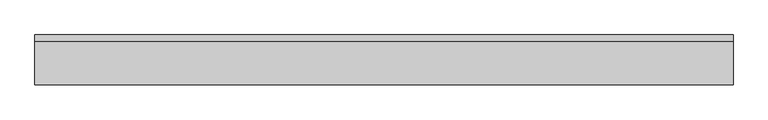
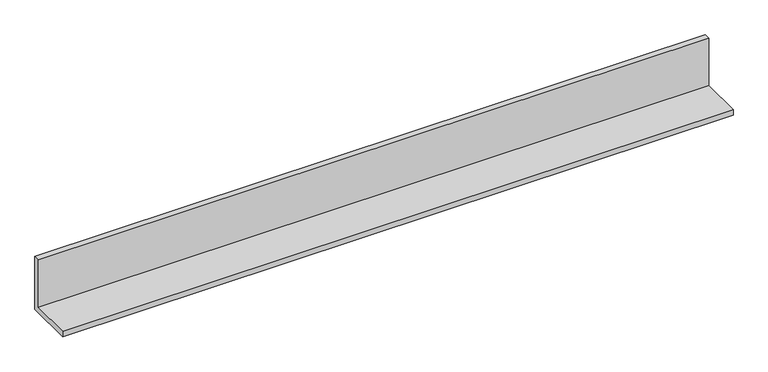
"""IFC4 building model written with IfcOpenShell, lengths in millimetres: furniture geometry."""

from ifc_helpers import new_model, si_unit, frame, origin, place, context, project, spatial, polyline, outline, extrude, source, transform, mapped, element, save


def furniture_ea80735b(model_context):
    return source(origin(), model_context, "Body", "SweptSolid", [
        extrude(outline(polyline([(57.15, 1311.275), (-95.25, 1311.275), (-95.25, 1330.325), (38.1, 1330.325), (38.1, 1489.075), (57.15, 1489.075), (57.15, 1311.275)])), frame((0.0, 0.0, 0.0), z_axis=(1.0, 0.0, 0.0), x_axis=(0.0, 1.0, 0.0)), (0.0, 0.0, 1.0), 2133.6),
    ])


if __name__ == "__main__":
    model = new_model("IFC4")
    model_context = context("Model", 3, world=origin())
    ifc_project = project(units=[si_unit("LENGTHUNIT", "METRE", prefix="MILLI")], contexts=[model_context])
    site = spatial("IfcSite", under=ifc_project)
    building = spatial("IfcBuilding", under=site)
    placement = place(None, origin())
    furniture_shape = furniture_ea80735b(model_context)
    element("IfcFurniture", 1, at=placement, inside=building, context=model_context, shape_type="MappedRepresentation", body=[
        mapped(furniture_shape, transform((0.0, 0.0, 0.0), x_axis=(1.0, 0.0, 0.0), y_axis=(0.0, 1.0, 0.0), z_axis=(0.0, 0.0, 1.0))),
    ])
    save(model, "model.ifc")
